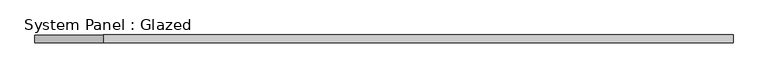
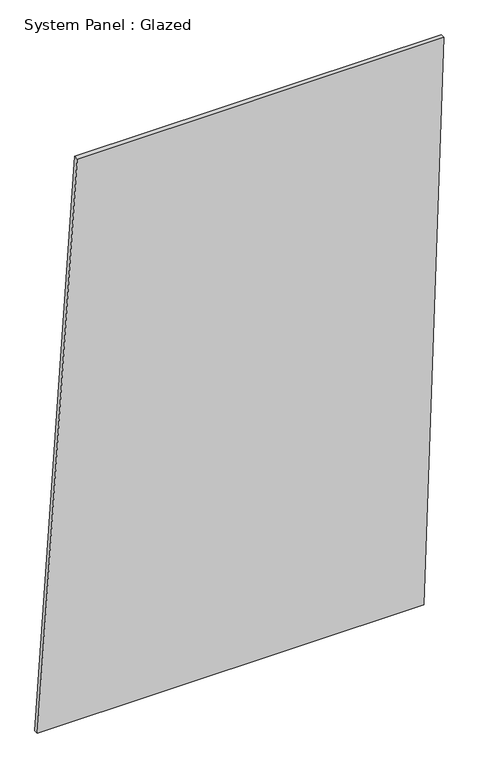
"""IFC4 building model written with IfcOpenShell, lengths in millimetres: plate geometry, System Panel : Glazed."""

from ifc_helpers import new_model, si_unit, frame, origin, place, context, project, spatial, polyline, outline, extrude, source, transform, mapped, element, save


def system_panel_glazed_dcd93754(model_context):
    return source(origin(), model_context, "Body", "SweptSolid", [
        extrude(outline(polyline([(0.0, -1144.1691717), (0.0, 1032.4404988), (3336.3860932, 1144.1691717), (3336.3860932, -920.7118258), (0.0, -1144.1691717)])), frame((0.0, -49.5, 0.0), z_axis=(0.0, 1.0, 0.0), x_axis=(0.0, 0.0, 1.0)), (0.0, 0.0, 1.0), 25.0),
    ])


if __name__ == "__main__":
    model = new_model("IFC4")
    model_context = context("Model", 3, world=origin())
    ifc_project = project(units=[si_unit("LENGTHUNIT", "METRE", prefix="MILLI")], contexts=[model_context])
    site = spatial("IfcSite", under=ifc_project)
    building = spatial("IfcBuilding", under=site)
    placement = place(None, origin())
    system_panel_glazed_shape = system_panel_glazed_dcd93754(model_context)
    element("IfcPlate", 1, ObjectType="System Panel : Glazed", at=placement, inside=building, context=model_context, shape_type="MappedRepresentation", body=[
        mapped(system_panel_glazed_shape, transform((0.0, 0.0, 0.0), x_axis=(1.0, 0.0, 0.0), y_axis=(0.0, 1.0, 0.0), z_axis=(0.0, 0.0, 1.0))),
    ])
    save(model, "model.ifc")
